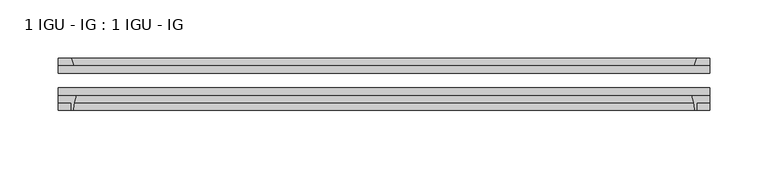
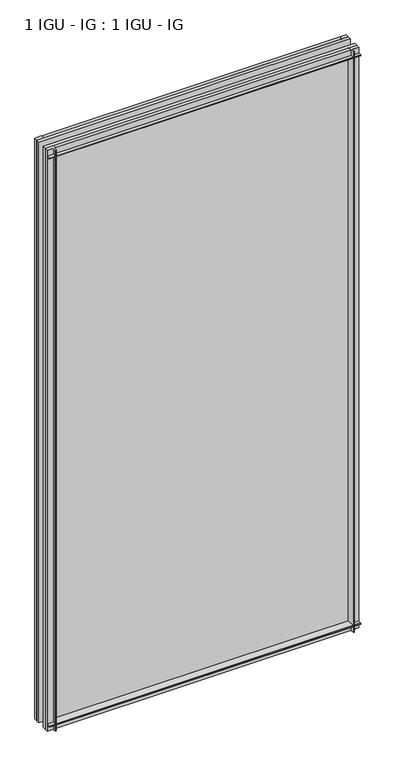
"""IFC4 building model written with IfcOpenShell, lengths in millimetres: plate geometry, 1 IGU - IG : 1 IGU - IG."""

from ifc_helpers import new_model, si_unit, point, frame, frame_2d, origin, place, context, project, spatial, polyline, circle_curve, trimmed, segment, composite_curve, outline, extrude, source, transform, mapped, element, save


def plate_1_igu_ig_1_igu_ig_7448613a(model_context):
    return source(origin(), model_context, "Body", "SweptSolid", [
        extrude(outline(polyline([(260.35, -31.75), (260.35, -38.1), (-298.45, -38.1), (-298.45, -31.75), (260.35, -31.75)])), frame((0.0, 0.0, -11.1125), z_axis=(0.0, 0.0, 1.0), x_axis=(1.0, 0.0, 0.0)), (0.0, 0.0, 1.0), 1101.7245636),
        extrude(outline(polyline([(-298.45, -12.7), (260.35, -12.7), (260.35, -19.05), (-298.45, -19.05), (-298.45, -12.7)])), frame((0.0, 0.0, -11.1125), z_axis=(0.0, 0.0, 1.0), x_axis=(1.0, 0.0, 0.0)), (0.0, 0.0, 1.0), 1101.7245636),
        extrude(outline(composite_curve([segment(polyline([(-298.45, -38.1), (-283.1563207, -38.1)]), True, "CONTINUOUS"), segment(trimmed(circle_curve(frame_2d((-239.8973044, -53.3794536)), 45.8781451), [point((-283.1563207, -38.1))], [point((-285.6575572, -50.0925922))], True, "CARTESIAN"), True, "CONTINUOUS"), segment(trimmed(circle_curve(frame_2d((-286.4175991, -50.038)), 0.762), [point((-285.6575572, -50.0925922))], [point((-286.4175991, -50.8))], False, "CARTESIAN"), True, "CONTINUOUS"), segment(polyline([(-286.4175991, -50.8), (-287.3375, -50.8), (-287.3375, -44.45), (-298.45, -44.45), (-298.45, -38.1)]), True, "CONTINUOUS")], self_intersect=False)), frame((0.0, 0.0, -11.1125), z_axis=(0.0, 0.0, 1.0), x_axis=(1.0, 0.0, 0.0)), (0.0, 0.0, 1.0), 1101.7245636),
        extrude(outline(polyline([(-285.2322229, -12.7), (-298.45, -12.7), (-298.45, -6.35), (-287.3375, -6.35), (-285.2322229, -12.7)])), frame((0.0, 0.0, -11.1125), z_axis=(0.0, 0.0, 1.0), x_axis=(1.0, 0.0, 0.0)), (0.0, 0.0, 1.0), 1101.7245636),
        extrude(outline(polyline([(260.35, -12.7), (247.1322229, -12.7), (249.2375, -6.35), (260.35, -6.35), (260.35, -12.7)])), frame((0.0, 0.0, -11.1125), z_axis=(0.0, 0.0, 1.0), x_axis=(1.0, 0.0, 0.0)), (0.0, 0.0, 1.0), 1101.7245636),
        extrude(outline(composite_curve([segment(polyline([(245.0563207, -38.1), (260.35, -38.1), (260.35, -44.45), (249.2375, -44.45), (249.2375, -50.8), (248.3175991, -50.8)]), True, "CONTINUOUS"), segment(trimmed(circle_curve(frame_2d((248.3175991, -50.038)), 0.762), [point((248.3175991, -50.8))], [point((247.5575572, -50.0925922))], False, "CARTESIAN"), True, "CONTINUOUS"), segment(trimmed(circle_curve(frame_2d((201.7973044, -53.3794536)), 45.8781451), [point((247.5575572, -50.0925922))], [point((245.0563207, -38.1))], True, "CARTESIAN"), True, "CONTINUOUS")], self_intersect=False)), frame((0.0, 0.0, -11.1125), z_axis=(0.0, 0.0, 1.0), x_axis=(1.0, 0.0, 0.0)), (0.0, 0.0, 1.0), 1101.7245636),
        extrude(outline(polyline([(-12.7, -11.1125), (-12.7, 2.1052771), (-6.35, 0.0), (-6.35, -11.1125), (-12.7, -11.1125)])), frame((-298.45, 0.0, 0.0), z_axis=(1.0, 0.0, 0.0), x_axis=(0.0, 1.0, 0.0)), (0.0, 0.0, 1.0), 558.8),
        extrude(outline(composite_curve([segment(polyline([(-38.1, 4.1811793), (-38.1, -11.1125), (-44.45, -11.1125), (-44.45, 0.0), (-50.8, 0.0), (-50.8, 0.9199009)]), True, "CONTINUOUS"), segment(trimmed(circle_curve(frame_2d((-50.038, 0.9199009)), 0.762), [point((-50.8, 0.9199009))], [point((-50.0925922, 1.6799428))], False, "CARTESIAN"), True, "CONTINUOUS"), segment(trimmed(circle_curve(frame_2d((-53.3794536, 47.4401956)), 45.8781451), [point((-50.0925922, 1.6799428))], [point((-38.1, 4.1811793))], True, "CARTESIAN"), True, "CONTINUOUS")], self_intersect=False)), frame((-298.45, 0.0, 0.0), z_axis=(1.0, 0.0, 0.0), x_axis=(0.0, 1.0, 0.0)), (0.0, 0.0, 1.0), 558.8),
        extrude(outline(polyline([(-6.35, 1079.4995636), (-12.7, 1077.3942865), (-12.7, 1090.6120636), (-6.35, 1090.6120636), (-6.35, 1079.4995636)])), frame((-298.45, 0.0, 0.0), z_axis=(1.0, 0.0, 0.0), x_axis=(0.0, 1.0, 0.0)), (0.0, 0.0, 1.0), 558.8),
        extrude(outline(composite_curve([segment(polyline([(-38.1, 1090.6120636), (-38.1, 1075.3183843)]), True, "CONTINUOUS"), segment(trimmed(circle_curve(frame_2d((-53.3794536, 1032.059368)), 45.8781451), [point((-38.1, 1075.3183843))], [point((-50.0925922, 1077.8196208))], True, "CARTESIAN"), True, "CONTINUOUS"), segment(trimmed(circle_curve(frame_2d((-50.038, 1078.5796627)), 0.762), [point((-50.0925922, 1077.8196208))], [point((-50.8, 1078.5796627))], False, "CARTESIAN"), True, "CONTINUOUS"), segment(polyline([(-50.8, 1078.5796627), (-50.8, 1079.4995636), (-44.45, 1079.4995636), (-44.45, 1090.6120636), (-38.1, 1090.6120636)]), True, "CONTINUOUS")], self_intersect=False)), frame((-298.45, 0.0, 0.0), z_axis=(1.0, 0.0, 0.0), x_axis=(0.0, 1.0, 0.0)), (0.0, 0.0, 1.0), 558.8),
    ])


if __name__ == "__main__":
    model = new_model("IFC4")
    model_context = context("Model", 3, world=origin())
    ifc_project = project(units=[si_unit("LENGTHUNIT", "METRE", prefix="MILLI")], contexts=[model_context])
    site = spatial("IfcSite", under=ifc_project)
    building = spatial("IfcBuilding", under=site)
    placement = place(None, origin())
    plate_1_igu_ig_1_igu_ig_shape = plate_1_igu_ig_1_igu_ig_7448613a(model_context)
    element("IfcPlate", 1, ObjectType="1 IGU - IG : 1 IGU - IG", at=placement, inside=building, context=model_context, shape_type="MappedRepresentation", body=[
        mapped(plate_1_igu_ig_1_igu_ig_shape, transform((0.0, 0.0, 0.0), x_axis=(1.0, 0.0, 0.0), y_axis=(0.0, 1.0, 0.0), z_axis=(0.0, 0.0, 1.0))),
    ])
    save(model, "model.ifc")
